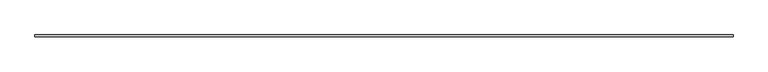
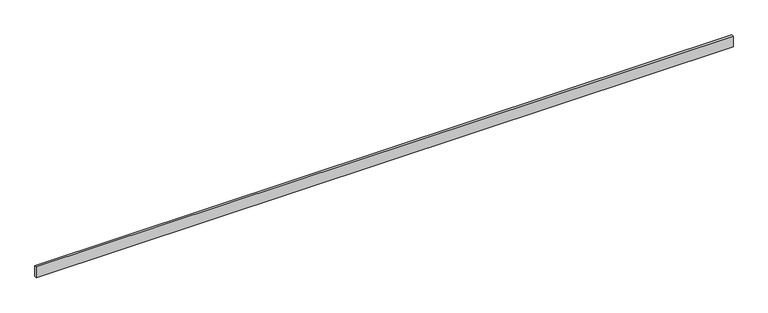
"""IFC4 building model written with IfcOpenShell, lengths in millimetres: beam geometry."""

from ifc_helpers import new_model, si_unit, frame, origin, place, context, project, spatial, polyline, outline, extrude, source, transform, mapped, element, save


def beam_0e9aeeee(model_context):
    return source(origin(), model_context, "Body", "SweptSolid", [
        extrude(outline(polyline([(6149.25, -18.0), (-6149.25, -18.0), (-6149.25, 18.0), (6149.25, 18.0), (6149.25, -18.0)])), frame((0.0, 0.0, -100.0), z_axis=(0.0, 0.0, 1.0), x_axis=(1.0, 0.0, 0.0)), (0.0, 0.0, 1.0), 200.0),
    ])


if __name__ == "__main__":
    model = new_model("IFC4")
    model_context = context("Model", 3, world=origin())
    ifc_project = project(units=[si_unit("LENGTHUNIT", "METRE", prefix="MILLI")], contexts=[model_context])
    site = spatial("IfcSite", under=ifc_project)
    building = spatial("IfcBuilding", under=site)
    placement = place(None, origin())
    beam_shape = beam_0e9aeeee(model_context)
    element("IfcBeam", 1, at=placement, inside=building, context=model_context, shape_type="MappedRepresentation", body=[
        mapped(beam_shape, transform((0.0, 0.0, 0.0), x_axis=(1.0, 0.0, 0.0), y_axis=(0.0, 1.0, 0.0), z_axis=(0.0, 0.0, 1.0))),
    ])
    save(model, "model.ifc")
